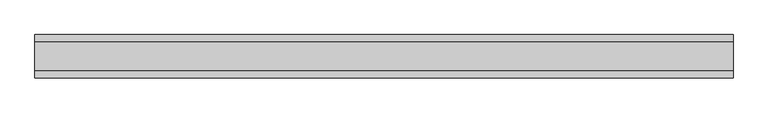
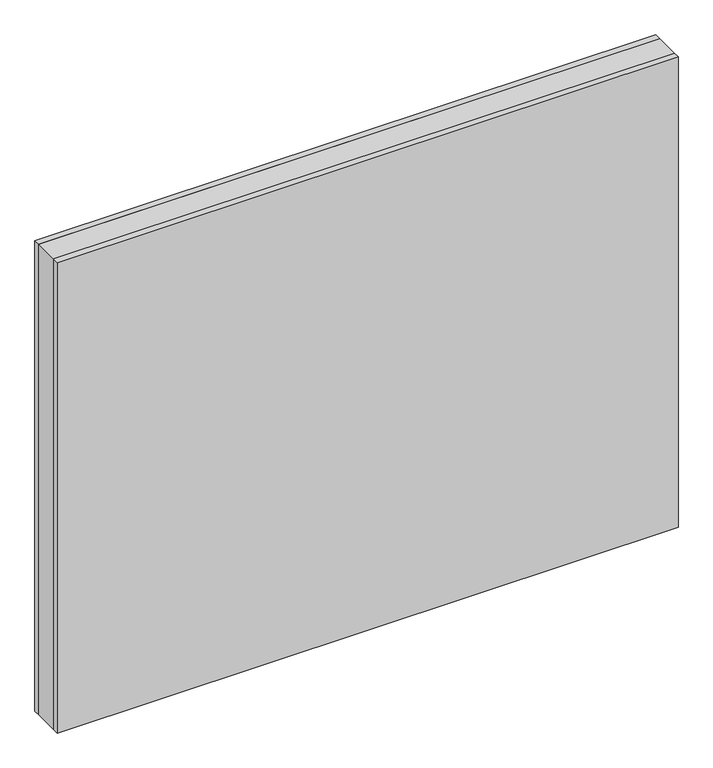
"""IFC4 building model written with IfcOpenShell, lengths in millimetres: plate geometry."""

import ifcopenshell
import ifcopenshell.guid

model = None  # the IFC model being written
_history = None  # IfcOwnerHistory: only IFC2X3 demands one
_inside = {}  # id of a spatial element -> (the spatial element, [elements in it])
_under = {}  # id of a project, library or spatial element -> (it, [spatial elements below it])
_declared = {}  # id of a project -> (the project, [libraries it declares])
_typed = {}  # id of a type object -> (the type object, [elements of that type])
_made_of = {}  # id of a material, layer set ... -> (it, [elements and type objects made of it])


def new_model(schema):
    """Start an empty IFC model of exactly this schema.

    Asked for "IFC4X3", IfcOpenShell would pick the latest addendum, in which some entities
    have other attributes; the version numbers below select the first issue.
    IFC2X3 requires an IfcOwnerHistory on every rooted entity: one is made here for all.
    """
    global model, _history
    if schema == "IFC4X3":
        model = ifcopenshell.file(schema_version=(4, 3, 0, 0))
    else:
        model = ifcopenshell.file(schema=schema)
    _inside.clear()
    _under.clear()
    _declared.clear()
    _typed.clear()
    _made_of.clear()
    _history = None
    if model.schema == "IFC2X3":
        org = make("IfcOrganization", Name="unknown")
        user = make(
            "IfcPersonAndOrganization",
            ThePerson=make("IfcPerson", FamilyName="unknown"),
            TheOrganization=org,
        )
        app = make(
            "IfcApplication",
            ApplicationDeveloper=org,
            Version="unknown",
            ApplicationFullName="unknown",
            ApplicationIdentifier="unknown",
        )
        _history = make(
            "IfcOwnerHistory",
            OwningUser=user,
            OwningApplication=app,
            ChangeAction="ADDED",
            CreationDate=0,
        )
    return model


def make(cls, **values):
    """One entity of the class cls with the attributes given. An attribute that is None is left unset."""
    return model.create_entity(
        cls, **{name: value for name, value in values.items() if value is not None}
    )


def rooted(cls, **values):
    """An entity with a GlobalId (a new one), such as an element, a storey or a relation."""
    return make(cls, GlobalId=ifcopenshell.guid.new(), OwnerHistory=_history, **values)


def si_unit(unit_type, name, prefix=None):
    """IfcSIUnit, for example si_unit("LENGTHUNIT", "METRE", prefix="MILLI")."""
    return make("IfcSIUnit", UnitType=unit_type, Prefix=prefix, Name=name)


def assignment(units):
    """IfcUnitAssignment: the units of a project."""
    return None if units is None else make("IfcUnitAssignment", Units=units)


def point(xyz):
    """IfcCartesianPoint."""
    return None if xyz is None else make("IfcCartesianPoint", Coordinates=xyz)


def direction(xyz):
    """IfcDirection."""
    return None if xyz is None else make("IfcDirection", DirectionRatios=xyz)


def frame(location, z_axis=None, x_axis=None):
    """IfcAxis2Placement3D, a coordinate frame: its origin and axes. An axis left out is left unset."""
    return make(
        "IfcAxis2Placement3D",
        Location=point(location),
        Axis=direction(z_axis),
        RefDirection=direction(x_axis),
    )


def origin():
    """The frame at (0, 0, 0) with its axes left unset."""
    return frame((0.0, 0.0, 0.0))


def origin_with_axes():
    """The frame at (0, 0, 0) with the z axis (0, 0, 1) and the x axis (1, 0, 0) written out."""
    return frame((0.0, 0.0, 0.0), z_axis=(0.0, 0.0, 1.0), x_axis=(1.0, 0.0, 0.0))


def place(relative_to, where):
    """IfcLocalPlacement: puts the frame where relative to a parent placement (None: the world)."""
    return make(
        "IfcLocalPlacement", PlacementRelTo=relative_to, RelativePlacement=where
    )


def context(
    kind, dimensions, precision=None, world=None, true_north=None, identifier=None
):
    """IfcGeometricRepresentationContext, for example the 3D "Model" context."""
    return make(
        "IfcGeometricRepresentationContext",
        ContextIdentifier=identifier,
        ContextType=kind,
        CoordinateSpaceDimension=dimensions,
        Precision=precision,
        WorldCoordinateSystem=world,
        TrueNorth=true_north,
    )


def project(units=None, contexts=None):
    """IfcProject with its units and contexts."""
    return rooted(
        "IfcProject",
        Name="project",
        RepresentationContexts=contexts,
        UnitsInContext=assignment(units),
    )


def spatial(cls, under=None, at=None, **own):
    """A site, building, storey or space (cls), placed at a placement, below another one or the project."""
    s = rooted(cls, ObjectPlacement=at, **own)
    if under is not None:
        _under.setdefault(under.id(), (under, []))[1].append(s)
    return s


def polyline(points):
    """IfcPolyline through the points."""
    return make("IfcPolyline", Points=[point(p) for p in points])


def outline(outer, holes=None, kind="AREA"):
    """IfcArbitraryClosedProfileDef: a profile drawn as a closed curve; with holes, ...WithVoids."""
    if holes is None:
        return make("IfcArbitraryClosedProfileDef", ProfileType=kind, OuterCurve=outer)
    return make(
        "IfcArbitraryProfileDefWithVoids",
        ProfileType=kind,
        OuterCurve=outer,
        InnerCurves=holes,
    )


def extrude(swept, where, along, depth):
    """IfcExtrudedAreaSolid: the profile swept, set in the frame where, extruded along a direction by depth."""
    return make(
        "IfcExtrudedAreaSolid",
        SweptArea=swept,
        Position=where,
        ExtrudedDirection=direction(along),
        Depth=depth,
    )


def shape(context_of_items, identifier, shape_type, items):
    """IfcShapeRepresentation: the items that make up one representation, for example the "Body"."""
    return make(
        "IfcShapeRepresentation",
        ContextOfItems=context_of_items,
        RepresentationIdentifier=identifier,
        RepresentationType=shape_type,
        Items=items,
    )


def source(mapping_origin, context_of_items, identifier, shape_type, items):
    """IfcRepresentationMap: a shape defined once, which mapped items show again and again."""
    return make(
        "IfcRepresentationMap",
        MappingOrigin=mapping_origin,
        MappedRepresentation=shape(context_of_items, identifier, shape_type, items),
    )


def transform(
    local_origin,
    x_axis=None,
    y_axis=None,
    z_axis=None,
    scale=None,
    scale2=None,
    scale3=None,
    uniform=True,
):
    """IfcCartesianTransformationOperator3D, or its non-uniform kind. x_axis, y_axis, z_axis: its Axis1, 2, 3."""
    if uniform:
        return make(
            "IfcCartesianTransformationOperator3D",
            Axis1=direction(x_axis),
            Axis2=direction(y_axis),
            LocalOrigin=point(local_origin),
            Scale=scale,
            Axis3=direction(z_axis),
        )
    return make(
        "IfcCartesianTransformationOperator3DnonUniform",
        Axis1=direction(x_axis),
        Axis2=direction(y_axis),
        LocalOrigin=point(local_origin),
        Scale=scale,
        Axis3=direction(z_axis),
        Scale2=scale2,
        Scale3=scale3,
    )


def mapped(mapping_source, mapping_target):
    """IfcMappedItem: shows the shape of a source again, moved by a transform."""
    return make(
        "IfcMappedItem", MappingSource=mapping_source, MappingTarget=mapping_target
    )


def made_of(thing, what):
    """Note that an element or type object is made of a material, layer set ...; save() writes the relation."""
    if what is not None:
        _made_of.setdefault(what.id(), (what, []))[1].append(thing)
    return thing


def element(
    cls,
    number,
    at=None,
    inside=None,
    cuts=None,
    type_object=None,
    material=None,
    context=None,
    identifier="Body",
    shape_type=None,
    held_by="IfcProductDefinitionShape",
    body=None,
    shapes=None,
    **own,
):
    """One element of the class cls, such as IfcWall. Its Tag is "e" and its number.

    at: its placement. inside: the storey or other place that contains it. cuts: it is an
    opening in that element (IfcRelVoidsElement). A single representation is given by context,
    identifier, shape_type and body (its items); several are given by shapes. held_by: the class
    of the entity that holds the representations. save() writes the other relations.
    """
    e = rooted(cls, Tag="e%d" % number, ObjectPlacement=at, **own)
    if body is not None:
        shapes = [shape(context, identifier, shape_type, body)]
    if shapes is not None:
        e.Representation = make(held_by, Representations=shapes)
    if inside is not None:
        _inside.setdefault(inside.id(), (inside, []))[1].append(e)
    if cuts is not None:
        rooted(
            "IfcRelVoidsElement", RelatingBuildingElement=cuts, RelatedOpeningElement=e
        )
    if type_object is not None:
        _typed.setdefault(type_object.id(), (type_object, []))[1].append(e)
    return made_of(e, material)


def aggregate(whole, parts):
    """IfcRelAggregates: a whole, such as a stair, and the parts it consists of."""
    return rooted("IfcRelAggregates", RelatingObject=whole, RelatedObjects=parts)


def save(model, path):
    """Write the relations noted so far, then the file.

    IfcRelAggregates (storeys below a building ...), IfcRelContainedInSpatialStructure (elements
    in a storey), IfcRelDefinesByType, IfcRelAssociatesMaterial and IfcRelDeclares: one each for
    every whole, place, type object, material and project.
    """
    for whole, parts in _under.values():
        aggregate(whole, parts)
    for where, things in _inside.values():
        rooted(
            "IfcRelContainedInSpatialStructure",
            RelatedElements=things,
            RelatingStructure=where,
        )
    for kind, things in _typed.values():
        rooted("IfcRelDefinesByType", RelatedObjects=things, RelatingType=kind)
    for what, things in _made_of.values():
        rooted("IfcRelAssociatesMaterial", RelatedObjects=things, RelatingMaterial=what)
    for by, libraries in _declared.values():
        rooted("IfcRelDeclares", RelatingContext=by, RelatedDefinitions=libraries)
    model.write(path)


def plate_565763c8(model_context):
    return source(origin(), model_context, "Body", "SweptSolid", [
        extrude(outline(polyline([(602.1875001, 24.2), (602.1875001, -24.2), (-602.1875001, -24.2), (-602.1875001, 24.2), (602.1875001, 24.2)])), origin_with_axes(), (0.0, 0.0, 1.0), 964.75),
        extrude(outline(polyline([(602.1875001, 37.2), (602.1875001, 24.2), (-602.1875001, 24.2), (-602.1875001, 37.2), (602.1875001, 37.2)])), origin_with_axes(), (0.0, 0.0, 1.0), 964.75),
        extrude(outline(polyline([(-602.1875001, -37.2), (-602.1875001, -24.2), (602.1875001, -24.2), (602.1875001, -37.2), (-602.1875001, -37.2)])), origin_with_axes(), (0.0, 0.0, 1.0), 964.75),
    ])


if __name__ == "__main__":
    model = new_model("IFC4")
    model_context = context("Model", 3, world=origin())
    ifc_project = project(units=[si_unit("LENGTHUNIT", "METRE", prefix="MILLI")], contexts=[model_context])
    site = spatial("IfcSite", under=ifc_project)
    building = spatial("IfcBuilding", under=site)
    placement = place(None, origin())
    plate_shape = plate_565763c8(model_context)
    element("IfcPlate", 1, at=placement, inside=building, context=model_context, shape_type="MappedRepresentation", body=[
        mapped(plate_shape, transform((0.0, 0.0, 0.0), x_axis=(1.0, 0.0, 0.0), y_axis=(0.0, 1.0, 0.0), z_axis=(0.0, 0.0, 1.0))),
    ])
    save(model, "model.ifc")
